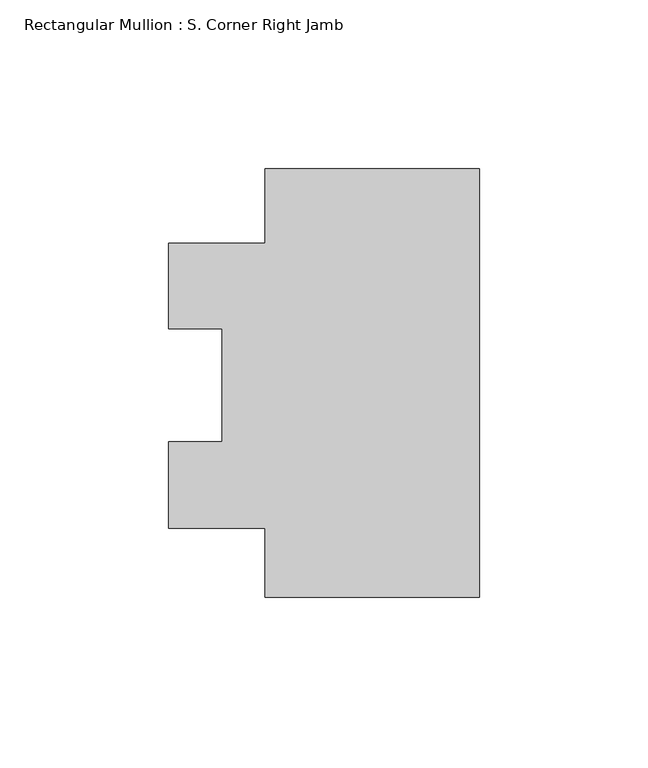
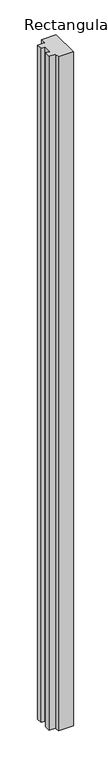
"""IFC4 building model written with IfcOpenShell, lengths in millimetres: member geometry, Rectangular Mullion : S. Corner Right Jamb."""

from ifc_helpers import new_model, si_unit, frame, origin, place, context, project, spatial, polyline, outline, extrude, source, transform, mapped, element, save


def rectangular_mullion_s_corner_right_jamb_3faeb7d2(model_context):
    return source(origin(), model_context, "Body", "SweptSolid", [
        extrude(outline(polyline([(-63.5, 80.97072), (0.0, 80.97072), (0.0, -46.02928), (-63.5, -46.02928), (-63.5, -25.48068), (-92.075, -25.48068), (-92.075, 0.15363), (-76.2, 0.15363), (-76.2, 33.5166513), (-92.075, 33.5166513), (-92.075, 58.84732), (-63.5, 58.84732), (-63.5, 80.97072)])), frame((0.0, 0.0, -3048.0), z_axis=(0.0, 0.0, 1.0), x_axis=(1.0, 0.0, 0.0)), (0.0, 0.0, 1.0), 3048.0),
    ])


if __name__ == "__main__":
    model = new_model("IFC4")
    model_context = context("Model", 3, world=origin())
    ifc_project = project(units=[si_unit("LENGTHUNIT", "METRE", prefix="MILLI")], contexts=[model_context])
    site = spatial("IfcSite", under=ifc_project)
    building = spatial("IfcBuilding", under=site)
    placement = place(None, origin())
    rectangular_mullion_s_corner_right_jamb_shape = rectangular_mullion_s_corner_right_jamb_3faeb7d2(model_context)
    element("IfcMember", 1, ObjectType="Rectangular Mullion : S. Corner Right Jamb", at=placement, inside=building, context=model_context, shape_type="MappedRepresentation", body=[
        mapped(rectangular_mullion_s_corner_right_jamb_shape, transform((0.0, 0.0, 0.0), x_axis=(1.0, 0.0, 0.0), y_axis=(0.0, 1.0, 0.0), z_axis=(0.0, 0.0, 1.0))),
    ])
    save(model, "model.ifc")
